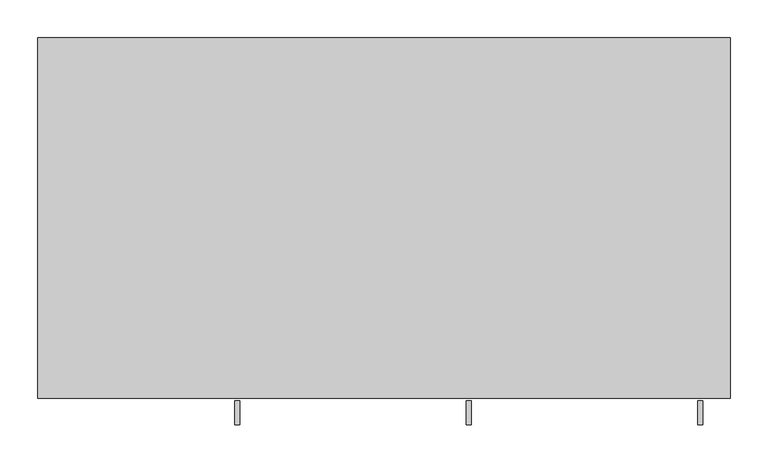
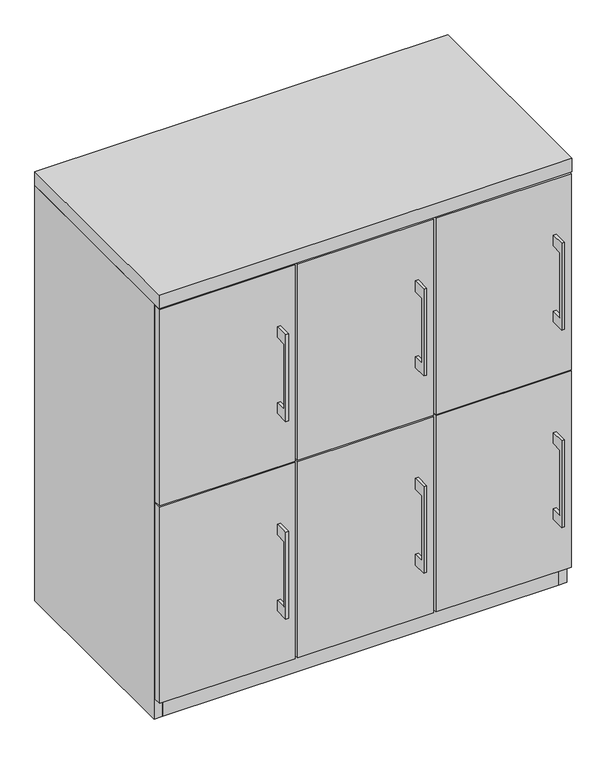
"""IFC4 building model written with IfcOpenShell, lengths in millimetres: furniture geometry."""

from ifc_helpers import new_model, si_unit, frame, origin, origin_with_axes, place, context, project, spatial, polyline, outline, extrude, source, transform, mapped, element, save


def furniture_97234afd(model_context):
    return source(origin(), model_context, "Body", "SweptSolid", [
        extrude(outline(polyline([(-479.425, 353.21875), (-504.8249758, 353.21875), (-504.8249758, 200.81875), (-479.425, 200.81875), (-479.425, 175.41875), (-511.1749879, 175.41875), (-511.1749879, 378.61875), (-479.425, 378.61875), (-479.425, 353.21875)])), frame((108.7437621, 0.0, 0.0), z_axis=(1.0, 0.0, 0.0), x_axis=(0.0, 1.0, 0.0)), (0.0, 0.0, 1.0), 6.3499758),
        extrude(outline(polyline([(150.01875, -476.25), (-150.01875, -476.25), (-150.01875, -457.2), (150.01875, -457.2), (150.01875, -476.25)])), frame((0.0, 0.0, 47.625), z_axis=(0.0, 0.0, 1.0), x_axis=(1.0, 0.0, 0.0)), (0.0, 0.0, 1.0), 458.7875),
        extrude(outline(polyline([(-479.425, 815.18125), (-504.8249758, 815.18125), (-504.8249758, 662.78125), (-479.425, 662.78125), (-479.425, 637.38125), (-511.1749879, 637.38125), (-511.1749879, 840.58125), (-479.425, 840.58125), (-479.425, 815.18125)])), frame((108.7437621, 0.0, 0.0), z_axis=(1.0, 0.0, 0.0), x_axis=(0.0, 1.0, 0.0)), (0.0, 0.0, 1.0), 6.3499758),
        extrude(outline(polyline([(150.01875, -476.25), (-150.01875, -476.25), (-150.01875, -457.2), (150.01875, -457.2), (150.01875, -476.25)])), frame((0.0, 0.0, 509.5875), z_axis=(0.0, 0.0, 1.0), x_axis=(1.0, 0.0, 0.0)), (0.0, 0.0, 1.0), 458.7875),
        extrude(outline(polyline([(-479.425, 815.18125), (-504.8249758, 815.18125), (-504.8249758, 662.78125), (-479.425, 662.78125), (-479.425, 637.38125), (-511.1749879, 637.38125), (-511.1749879, 840.58125), (-479.425, 840.58125), (-479.425, 815.18125)])), frame((414.3375121, 0.0, 0.0), z_axis=(1.0, 0.0, 0.0), x_axis=(0.0, 1.0, 0.0)), (0.0, 0.0, 1.0), 6.3499758),
        extrude(outline(polyline([(455.6125, -476.25), (155.575, -476.25), (155.575, -457.2), (455.6125, -457.2), (455.6125, -476.25)])), frame((0.0, 0.0, 509.5875), z_axis=(0.0, 0.0, 1.0), x_axis=(1.0, 0.0, 0.0)), (0.0, 0.0, 1.0), 458.7875),
        extrude(outline(polyline([(-479.425, 815.18125), (-504.8249758, 815.18125), (-504.8249758, 662.78125), (-479.425, 662.78125), (-479.425, 637.38125), (-511.1749879, 637.38125), (-511.1749879, 840.58125), (-479.425, 840.58125), (-479.425, 815.18125)])), frame((-196.8499879, 0.0, 0.0), z_axis=(1.0, 0.0, 0.0), x_axis=(0.0, 1.0, 0.0)), (0.0, 0.0, 1.0), 6.3499758),
        extrude(outline(polyline([(-155.575, -476.25), (-455.6125, -476.25), (-455.6125, -457.2), (-155.575, -457.2), (-155.575, -476.25)])), frame((0.0, 0.0, 509.5875), z_axis=(0.0, 0.0, 1.0), x_axis=(1.0, 0.0, 0.0)), (0.0, 0.0, 1.0), 458.7875),
        extrude(outline(polyline([(-479.425, 353.21875), (-504.8249758, 353.21875), (-504.8249758, 200.81875), (-479.425, 200.81875), (-479.425, 175.41875), (-511.1749879, 175.41875), (-511.1749879, 378.61875), (-479.425, 378.61875), (-479.425, 353.21875)])), frame((414.3375121, 0.0, 0.0), z_axis=(1.0, 0.0, 0.0), x_axis=(0.0, 1.0, 0.0)), (0.0, 0.0, 1.0), 6.3499758),
        extrude(outline(polyline([(455.6125, -476.25), (155.575, -476.25), (155.575, -457.2), (455.6125, -457.2), (455.6125, -476.25)])), frame((0.0, 0.0, 47.625), z_axis=(0.0, 0.0, 1.0), x_axis=(1.0, 0.0, 0.0)), (0.0, 0.0, 1.0), 458.7875),
        extrude(outline(polyline([(-479.425, 353.21875), (-504.8249758, 353.21875), (-504.8249758, 200.81875), (-479.425, 200.81875), (-479.425, 175.41875), (-511.1749879, 175.41875), (-511.1749879, 378.61875), (-479.425, 378.61875), (-479.425, 353.21875)])), frame((-196.8499879, 0.0, 0.0), z_axis=(1.0, 0.0, 0.0), x_axis=(0.0, 1.0, 0.0)), (0.0, 0.0, 1.0), 6.3499758),
        extrude(outline(polyline([(-155.575, -476.25), (-455.6125, -476.25), (-455.6125, -457.2), (-155.575, -457.2), (-155.575, -476.25)])), frame((0.0, 0.0, 47.625), z_axis=(0.0, 0.0, 1.0), x_axis=(1.0, 0.0, 0.0)), (0.0, 0.0, 1.0), 458.7875),
        extrude(outline(polyline([(-142.875, -19.05), (-142.875, -457.2), (-161.925, -457.2), (-161.925, -19.05), (-142.875, -19.05)])), frame((0.0, 0.0, 47.625), z_axis=(0.0, 0.0, 1.0), x_axis=(1.0, 0.0, 0.0)), (0.0, 0.0, 1.0), 923.925),
        extrude(outline(polyline([(161.925, -19.05), (161.925, -457.2), (142.875, -457.2), (142.875, -19.05), (161.925, -19.05)])), frame((0.0, 0.0, 47.625), z_axis=(0.0, 0.0, 1.0), x_axis=(1.0, 0.0, 0.0)), (0.0, 0.0, 1.0), 923.925),
        extrude(outline(polyline([(438.15, -19.05), (438.15, -457.2), (-438.15, -457.2), (-438.15, -19.05), (438.15, -19.05)])), origin_with_axes(), (0.0, 0.0, 1.0), 47.625),
        extrude(outline(polyline([(457.2, 0.0), (457.2, -476.25), (-457.2, -476.25), (-457.2, 0.0), (457.2, 0.0)])), frame((0.0, 0.0, 971.55), z_axis=(0.0, 0.0, 1.0), x_axis=(1.0, 0.0, 0.0)), (0.0, 0.0, 1.0), 31.75),
        extrude(outline(polyline([(457.2, 0.0), (457.2, -457.2), (438.15, -457.2), (438.15, -19.05), (-438.15, -19.05), (-438.15, -457.2), (-457.2, -457.2), (-457.2, 0.0), (457.2, 0.0)])), origin_with_axes(), (0.0, 0.0, 1.0), 971.55),
    ])


if __name__ == "__main__":
    model = new_model("IFC4")
    model_context = context("Model", 3, world=origin())
    ifc_project = project(units=[si_unit("LENGTHUNIT", "METRE", prefix="MILLI")], contexts=[model_context])
    site = spatial("IfcSite", under=ifc_project)
    building = spatial("IfcBuilding", under=site)
    placement = place(None, origin())
    furniture_shape = furniture_97234afd(model_context)
    element("IfcFurniture", 1, at=placement, inside=building, context=model_context, shape_type="MappedRepresentation", body=[
        mapped(furniture_shape, transform((0.0, 0.0, 0.0), x_axis=(1.0, 0.0, 0.0), y_axis=(0.0, 1.0, 0.0), z_axis=(0.0, 0.0, 1.0))),
    ])
    save(model, "model.ifc")
